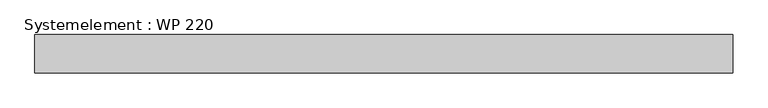
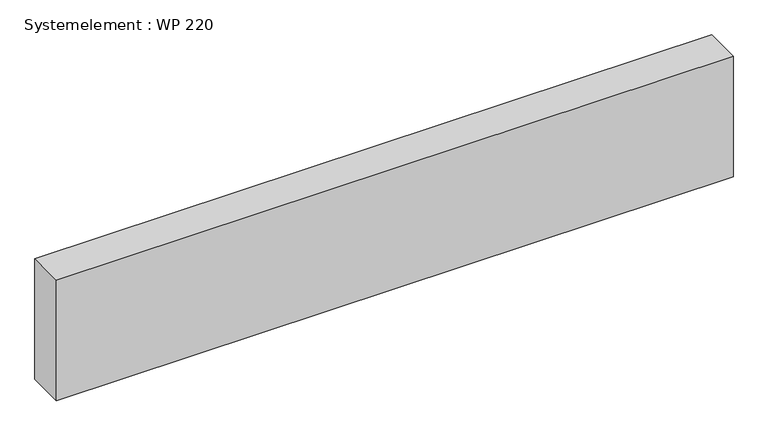
"""IFC4 building model written with IfcOpenShell, lengths in millimetres: plate geometry, Systemelement : WP 220."""

from ifc_helpers import new_model, si_unit, origin, origin_with_axes, place, context, project, spatial, polyline, outline, extrude, source, transform, mapped, element, save


def systemelement_wp_220_38b6beab(model_context):
    return source(origin(), model_context, "Body", "SweptSolid", [
        extrude(outline(polyline([(2000.0, -220.0), (-2000.0, -220.0), (-2000.0, 0.0), (2000.0, 0.0), (2000.0, -220.0)])), origin_with_axes(), (0.0, 0.0, 1.0), 751.6147161),
    ])


if __name__ == "__main__":
    model = new_model("IFC4")
    model_context = context("Model", 3, world=origin())
    ifc_project = project(units=[si_unit("LENGTHUNIT", "METRE", prefix="MILLI")], contexts=[model_context])
    site = spatial("IfcSite", under=ifc_project)
    building = spatial("IfcBuilding", under=site)
    placement = place(None, origin())
    systemelement_wp_220_shape = systemelement_wp_220_38b6beab(model_context)
    element("IfcPlate", 1, ObjectType="Systemelement : WP 220", at=placement, inside=building, context=model_context, shape_type="MappedRepresentation", body=[
        mapped(systemelement_wp_220_shape, transform((0.0, 0.0, 0.0), x_axis=(1.0, 0.0, 0.0), y_axis=(0.0, 1.0, 0.0), z_axis=(0.0, 0.0, 1.0))),
    ])
    save(model, "model.ifc")
